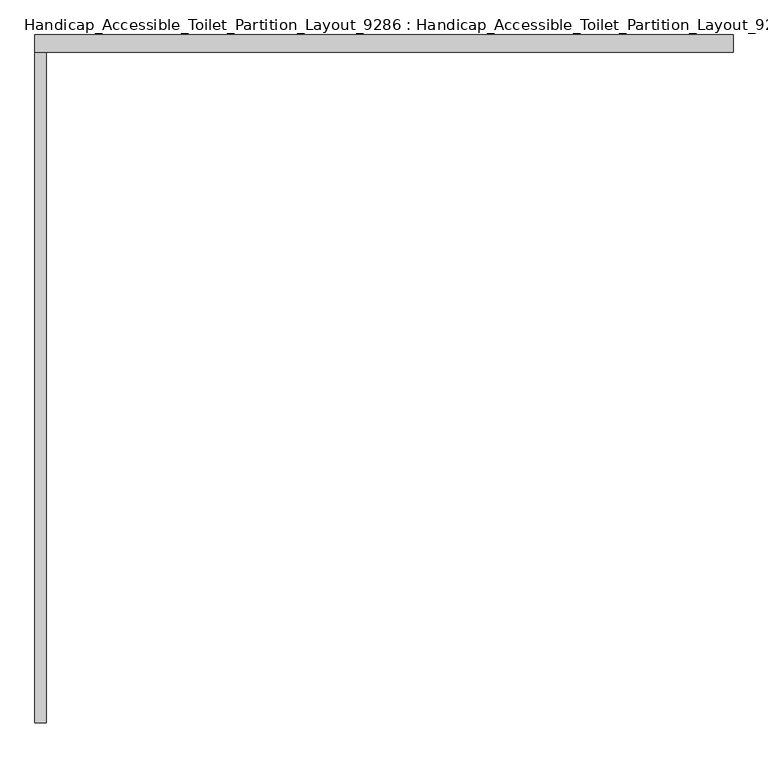
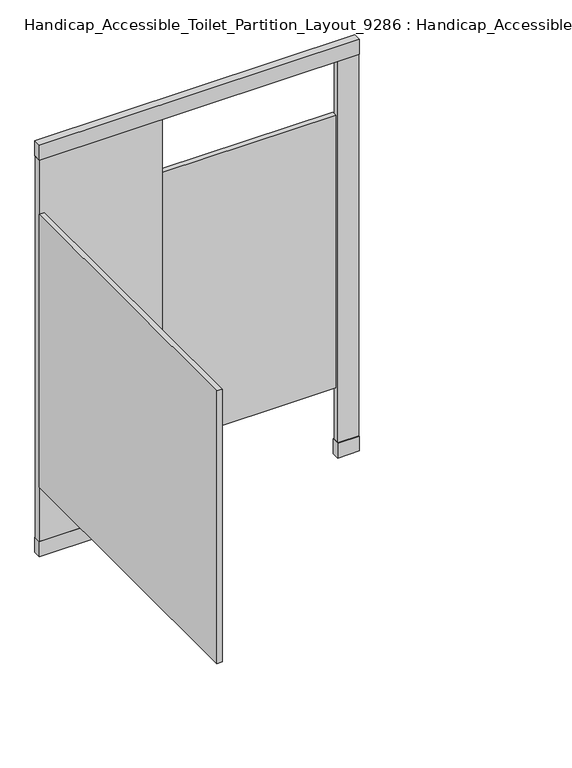
"""IFC4 building model written with IfcOpenShell, lengths in millimetres: proxy geometry, Handicap_Accessible_Toilet_Partition_Layout_9286 : Handicap_Accessible_Toilet_Partition_Layout_9286."""

from ifc_helpers import new_model, si_unit, frame, origin, origin_with_axes, place, context, project, spatial, polyline, outline, extrude, source, transform, mapped, element, save


def handicap_accessible_toilet_partition_layout_9286_handicap_c1ccdb2f(model_context):
    return source(origin(), model_context, "Body", "SweptSolid", [
        extrude(outline(polyline([(1549.4, 1597.025), (1549.4, 1558.925), (0.0, 1558.925), (0.0, 1597.025), (1549.4, 1597.025)])), frame((0.0, 0.0, 2032.0), z_axis=(0.0, 0.0, 1.0), x_axis=(1.0, 0.0, 0.0)), (0.0, 0.0, 1.0), 76.2),
        extrude(outline(polyline([(1549.4, 1593.85), (1549.4, 1562.1), (1447.8, 1562.1), (1447.8, 1593.85), (1549.4, 1593.85)])), frame((0.0, 0.0, 76.2), z_axis=(0.0, 0.0, 1.0), x_axis=(1.0, 0.0, 0.0)), (0.0, 0.0, 1.0), 1955.8),
        extrude(outline(polyline([(25.4, 1562.1), (25.4, 69.85), (0.0, 69.85), (0.0, 1562.1), (25.4, 1562.1)])), frame((0.0, 0.0, 355.6), z_axis=(0.0, 0.0, 1.0), x_axis=(1.0, 0.0, 0.0)), (0.0, 0.0, 1.0), 1397.0),
        extrude(outline(polyline([(596.9, 1593.85), (596.9, 1562.1), (0.0, 1562.1), (0.0, 1593.85), (596.9, 1593.85)])), frame((0.0, 0.0, 76.2), z_axis=(0.0, 0.0, 1.0), x_axis=(1.0, 0.0, 0.0)), (0.0, 0.0, 1.0), 1955.8),
        extrude(outline(polyline([(1441.45, 1593.85), (1441.45, 1568.45), (603.25, 1568.45), (603.25, 1593.85), (1441.45, 1593.85)])), frame((0.0, 0.0, 355.6), z_axis=(0.0, 0.0, 1.0), x_axis=(1.0, 0.0, 0.0)), (0.0, 0.0, 1.0), 1397.0),
        extrude(outline(polyline([(1549.4, 1597.025), (1549.4, 1558.925), (1444.625, 1558.925), (1444.625, 1597.025), (1549.4, 1597.025)])), origin_with_axes(), (0.0, 0.0, 1.0), 76.2),
        extrude(outline(polyline([(600.075, 1597.025), (600.075, 1558.925), (0.0, 1558.925), (0.0, 1597.025), (600.075, 1597.025)])), origin_with_axes(), (0.0, 0.0, 1.0), 76.2),
    ])


if __name__ == "__main__":
    model = new_model("IFC4")
    model_context = context("Model", 3, world=origin())
    ifc_project = project(units=[si_unit("LENGTHUNIT", "METRE", prefix="MILLI")], contexts=[model_context])
    site = spatial("IfcSite", under=ifc_project)
    building = spatial("IfcBuilding", under=site)
    placement = place(None, origin())
    handicap_accessible_toilet_partition_layout_9286_handicap_shape = handicap_accessible_toilet_partition_layout_9286_handicap_c1ccdb2f(model_context)
    element("IfcBuildingElementProxy", 1, Name="Handicap_Accessible_Toilet_Partition_Layout_9286 : Handicap_Accessible_Toilet_Partition_Layout_9286", ObjectType="Handicap_Accessible_Toilet_Partition_Layout_9286 : Handicap_Accessible_Toilet_Partition_Layout_9286", at=placement, inside=building, context=model_context, shape_type="MappedRepresentation", body=[
        mapped(handicap_accessible_toilet_partition_layout_9286_handicap_shape, transform((0.0, 0.0, 0.0), x_axis=(1.0, 0.0, 0.0), y_axis=(0.0, 1.0, 0.0), z_axis=(0.0, 0.0, 1.0))),
    ])
    save(model, "model.ifc")
